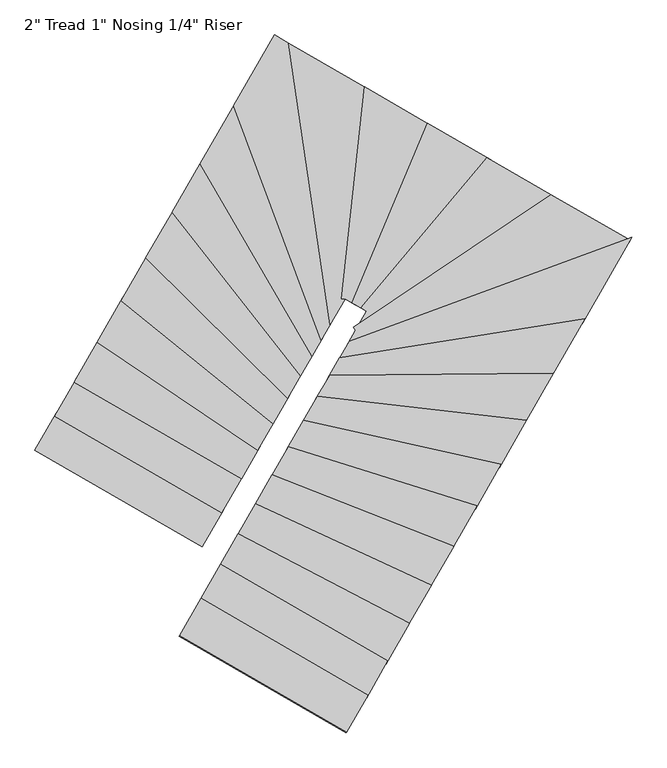
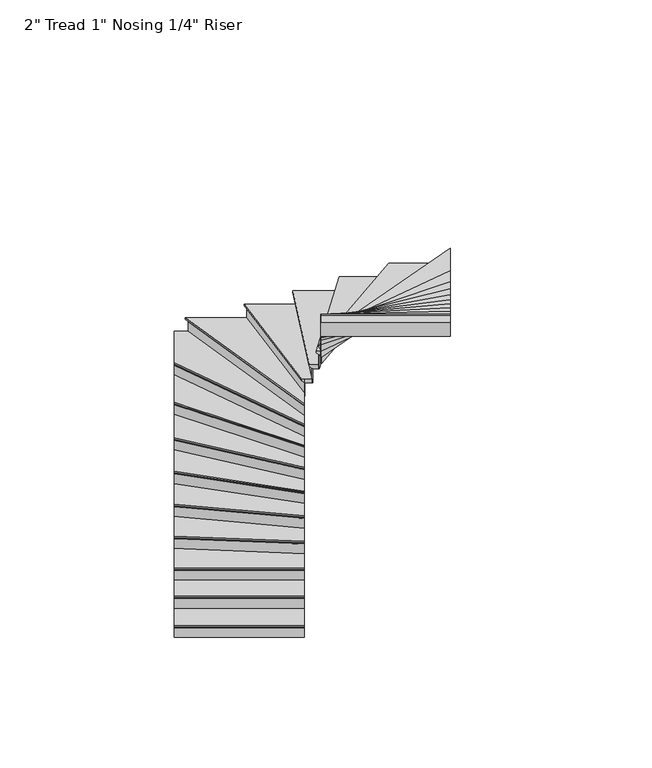
"""IFC4 building model written with IfcOpenShell, lengths in millimetres: stair flight geometry."""

from ifc_helpers import new_model, si_unit, origin, place, context, project, spatial, faceted_brep, source, transform, mapped, element, save


def stair_flight_9f9fb318(model_context):
    return source(origin(), model_context, "Body", "Brep", [
        faceted_brep([(55483.3110526, -118094.4424169, 3204.7961538), (55483.3110526, -118094.4424169, 3223.8461538), (54295.3554538, -117408.8419097, 3223.8461538), (54295.3554538, -117408.8419097, 3204.7961538), (55496.0073583, -118072.4432391, 3179.3961538), (54308.0517595, -117386.8427319, 3179.3961538), (55635.6667208, -117830.4522838, 3223.8461538), (54447.7111221, -117144.8517766, 3223.8461538), (54308.0517595, -117386.8427319, 3173.0461538), (54447.7111221, -117144.8517766, 3173.0461538), (55635.6667208, -117830.4522838, 3173.0461538), (55496.0073583, -118072.4432391, 3173.0461538)], [[[0, 1, 2, 3]], [[4, 0, 3, 5]], [[2, 1, 6, 7]], [[8, 9, 10, 11]], [[2, 7, 9, 8, 5, 3]], [[8, 11, 4, 5]], [[6, 1, 0, 4, 11, 10]], [[7, 6, 10, 9]]]),
        faceted_brep([(55496.0073583, -118072.4432391, 3173.0461538), (55496.0073583, -118072.4432391, 3048.0), (55499.1814347, -118066.9434447, 3048.0), (55499.1814347, -118066.9434447, 3173.0461538), (54308.0517595, -117386.8427319, 3173.0461538), (54311.2258359, -117381.3429375, 3173.0461538), (54311.2258359, -117381.3429375, 3048.0), (54308.0517595, -117386.8427319, 3048.0)], [[[0, 1, 2, 3]], [[4, 5, 6, 7]], [[1, 0, 4, 7]], [[2, 1, 7, 6]], [[3, 2, 6, 5]], [[0, 3, 5, 4]]]),
        faceted_brep([(55635.6667208, -117830.4522838, 3348.8923077), (55635.6667208, -117830.4522838, 3173.0461538), (55638.8407972, -117824.9524894, 3173.0461538), (55638.8407972, -117824.9524894, 3348.8923077), (54447.7111221, -117144.8517766, 3348.8923077), (54450.8851985, -117139.3519822, 3348.8923077), (54450.8851985, -117139.3519822, 3173.0461538), (54447.7111221, -117144.8517766, 3173.0461538)], [[[0, 1, 2, 3]], [[4, 5, 6, 7]], [[1, 0, 4, 7]], [[2, 1, 7, 6]], [[3, 2, 6, 5]], [[0, 3, 5, 4]]]),
        faceted_brep([(54435.0148164, -117166.8509544, 3399.6923077), (55622.9704151, -117852.4514616, 3399.6923077), (55775.3260834, -117588.4613285, 3399.6923077), (54587.3704847, -116902.8608213, 3399.6923077), (54447.7111221, -117144.8517766, 3348.8923077), (54587.3704847, -116902.8608213, 3348.8923077), (55775.3260834, -117588.4613285, 3348.8923077), (55635.6667208, -117830.4522838, 3348.8923077), (54447.7111221, -117144.8517766, 3355.2423077), (54435.0148164, -117166.8509544, 3380.6423077), (55635.6667208, -117830.4522838, 3355.2423077), (55622.9704151, -117852.4514616, 3380.6423077)], [[[0, 1, 2, 3]], [[4, 5, 6, 7]], [[0, 3, 5, 4, 8, 9]], [[4, 7, 10, 8]], [[2, 1, 11, 10, 7, 6]], [[3, 2, 6, 5]], [[11, 1, 0, 9]], [[10, 11, 9, 8]]]),
        faceted_brep([(55775.3260834, -117588.4613285, 3524.7384615), (55775.3260834, -117588.4613285, 3348.8923077), (55778.5001598, -117582.9615341, 3348.8923077), (55778.5001598, -117582.9615341, 3524.7384615), (54587.3704847, -116902.8608213, 3524.7384615), (54590.5445611, -116897.3610269, 3524.7384615), (54590.5445611, -116897.3610269, 3348.8923077), (54587.3704847, -116902.8608213, 3348.8923077)], [[[0, 1, 2, 3]], [[4, 5, 6, 7]], [[1, 0, 4, 7]], [[2, 1, 7, 6]], [[3, 2, 6, 5]], [[0, 3, 5, 4]]]),
        faceted_brep([(54574.674179, -116924.8599991, 3575.5384615), (55762.6297777, -117610.4605063, 3575.5384615), (55890.6801358, -117388.5847372, 3575.5384615), (54751.3990709, -116618.6447577, 3575.5384615), (54587.3704847, -116902.8608213, 3524.7384615), (54751.3990709, -116618.6447577, 3524.7384615), (55890.6801358, -117388.5847372, 3524.7384615), (55775.3260834, -117588.4613285, 3524.7384615), (54587.3704847, -116902.8608213, 3531.0884615), (54574.674179, -116924.8599991, 3556.4884615), (55775.3260834, -117588.4613285, 3531.0884615), (55762.6297777, -117610.4605063, 3556.4884615)], [[[0, 1, 2, 3]], [[4, 5, 6, 7]], [[0, 3, 5, 4, 8, 9]], [[4, 7, 10, 8]], [[2, 1, 11, 10, 7, 6]], [[3, 2, 6, 5]], [[11, 1, 0, 9]], [[10, 11, 9, 8]]]),
        faceted_brep([(55890.6801358, -117388.5847372, 3700.5846154), (55890.6801358, -117388.5847372, 3524.7384615), (55893.8622014, -117383.0710997, 3524.7384615), (55893.8622014, -117383.0710997, 3700.5846154), (54751.3990709, -116618.6447577, 3700.5846154), (54754.5811365, -116613.1311202, 3700.5846154), (54754.5811365, -116613.1311202, 3524.7384615), (54751.3990709, -116618.6447577, 3524.7384615)], [[[0, 1, 2, 3]], [[4, 5, 6, 7]], [[1, 0, 4, 7]], [[2, 1, 7, 6]], [[3, 2, 6, 5]], [[0, 3, 5, 4]]]),
        faceted_brep([(54738.6708085, -116640.6993076, 3751.3846154), (55877.9518734, -117410.6392871, 3751.3846154), (56000.9924459, -117197.4440874, 3751.3846154), (54920.6524828, -116325.3755198, 3751.3846154), (54751.3990709, -116618.6447577, 3700.5846154), (54920.6524828, -116325.3755198, 3700.5846154), (56000.9924459, -117197.4440874, 3700.5846154), (55890.6801358, -117388.5847372, 3700.5846154), (54751.3990709, -116618.6447577, 3706.9346154), (54738.6708085, -116640.6993076, 3732.3346154), (55890.6801358, -117388.5847372, 3706.9346154), (55877.9518734, -117410.6392871, 3732.3346154)], [[[0, 1, 2, 3]], [[4, 5, 6, 7]], [[0, 3, 5, 4, 8, 9]], [[4, 7, 10, 8]], [[2, 1, 11, 10, 7, 6]], [[3, 2, 6, 5]], [[11, 1, 0, 9]], [[10, 11, 9, 8]]]),
        faceted_brep([(56000.9924459, -117197.4440874, 3876.4307692), (56000.9924459, -117197.4440874, 3700.5846154), (56004.2053861, -117191.8769528, 3700.5846154), (56004.2053861, -117191.8769528, 3876.4307692), (54920.6524828, -116325.3755198, 3876.4307692), (54923.865423, -116319.8083852, 3876.4307692), (54923.865423, -116319.8083852, 3700.5846154), (54920.6524828, -116325.3755198, 3700.5846154)], [[[0, 1, 2, 3]], [[4, 5, 6, 7]], [[1, 0, 4, 7]], [[2, 1, 7, 6]], [[3, 2, 6, 5]], [[0, 3, 5, 4]]]),
        faceted_brep([(54907.8007219, -116347.6440583, 3927.2307692), (55988.1406851, -117219.7126259, 3927.2307692), (56104.509378, -117018.0779439, 3927.2307692), (55097.0082074, -116019.7999431, 3927.2307692), (54920.6524828, -116325.3755198, 3876.4307692), (55097.0082074, -116019.7999431, 3876.4307692), (56104.509378, -117018.0779439, 3876.4307692), (56000.9924459, -117197.4440874, 3876.4307692), (54920.6524828, -116325.3755198, 3882.7807692), (54907.8007219, -116347.6440583, 3908.1807692), (56000.9924459, -117197.4440874, 3882.7807692), (55988.1406851, -117219.7126259, 3908.1807692)], [[[0, 1, 2, 3]], [[4, 5, 6, 7]], [[0, 3, 5, 4, 8, 9]], [[4, 7, 10, 8]], [[2, 1, 11, 10, 7, 6]], [[3, 2, 6, 5]], [[11, 1, 0, 9]], [[10, 11, 9, 8]]]),
        faceted_brep([(56104.509378, -117018.0779439, 4052.2769231), (56104.509378, -117018.0779439, 3876.4307692), (56107.7915596, -117012.390833, 3876.4307692), (56107.7915596, -117012.390833, 4052.2769231), (55097.0082074, -116019.7999431, 4052.2769231), (55100.290389, -116014.1128323, 4052.2769231), (55100.290389, -116014.1128323, 3876.4307692), (55097.0082074, -116019.7999431, 3876.4307692)], [[[0, 1, 2, 3]], [[4, 5, 6, 7]], [[1, 0, 4, 7]], [[2, 1, 7, 6]], [[3, 2, 6, 5]], [[0, 3, 5, 4]]]),
        faceted_brep([(55083.8794808, -116042.5483864, 4103.0769231), (56091.3806514, -117040.8263872, 4103.0769231), (56198.549806, -116855.1319544, 4103.0769231), (55283.3574622, -115696.9083492, 4103.0769231), (55097.0082074, -116019.7999431, 4052.2769231), (55283.3574622, -115696.9083492, 4052.2769231), (56198.549806, -116855.1319544, 4052.2769231), (56104.509378, -117018.0779439, 4052.2769231), (55097.0082074, -116019.7999431, 4058.6269231), (55083.8794808, -116042.5483864, 4084.0269231), (56104.509378, -117018.0779439, 4058.6269231), (56091.3806514, -117040.8263872, 4084.0269231)], [[[0, 1, 2, 3]], [[4, 5, 6, 7]], [[0, 3, 5, 4, 8, 9]], [[4, 7, 10, 8]], [[2, 1, 11, 10, 7, 6]], [[3, 2, 6, 5]], [[11, 1, 0, 9]], [[10, 11, 9, 8]]]),
        faceted_brep([(56198.549806, -116855.1319544, 4228.1230769), (56198.549806, -116855.1319544, 4052.2769231), (56201.9658574, -116849.2128845, 4052.2769231), (56201.9658574, -116849.2128845, 4228.1230769), (55283.3574622, -115696.9083492, 4228.1230769), (55286.7735135, -115690.9892793, 4228.1230769), (55286.7735135, -115690.9892793, 4052.2769231), (55283.3574622, -115696.9083492, 4052.2769231)], [[[0, 1, 2, 3]], [[4, 5, 6, 7]], [[1, 0, 4, 7]], [[2, 1, 7, 6]], [[3, 2, 6, 5]], [[0, 3, 5, 4]]]),
        faceted_brep([(55269.6932567, -115720.5846289, 4278.9230769), (56184.8856006, -116878.8082341, 4278.9230769), (56278.789449, -116716.0988994, 4278.9230769), (55484.3868905, -115348.5800845, 4278.9230769), (55283.3574622, -115696.9083492, 4228.1230769), (55484.3868905, -115348.5800845, 4228.1230769), (56278.789449, -116716.0988994, 4228.1230769), (56198.549806, -116855.1319544, 4228.1230769), (55283.3574622, -115696.9083492, 4234.4730769), (55269.6932567, -115720.5846289, 4259.8730769), (56198.549806, -116855.1319544, 4234.4730769), (56184.8856006, -116878.8082341, 4259.8730769)], [[[0, 1, 2, 3]], [[4, 5, 6, 7]], [[0, 3, 5, 4, 8, 9]], [[4, 7, 10, 8]], [[2, 1, 11, 10, 7, 6]], [[3, 2, 6, 5]], [[11, 1, 0, 9]], [[10, 11, 9, 8]]]),
        faceted_brep([(56278.789449, -116716.0988994, 4403.9692308), (56278.789449, -116716.0988994, 4228.1230769), (56282.4492936, -116709.7574033, 4228.1230769), (56282.4492936, -116709.7574033, 4403.9692308), (55484.3868905, -115348.5800845, 4403.9692308), (55488.0467351, -115342.2385885, 4403.9692308), (55488.0467351, -115342.2385885, 4228.1230769), (55484.3868905, -115348.5800845, 4228.1230769)], [[[0, 1, 2, 3]], [[4, 5, 6, 7]], [[1, 0, 4, 7]], [[2, 1, 7, 6]], [[3, 2, 6, 5]], [[0, 3, 5, 4]]]),
        faceted_brep([(55469.747512, -115373.9460688, 4454.7692308), (56264.1500704, -116741.4648836, 4454.7692308), (56345.5625152, -116600.3996882, 4454.7692308), (55723.7276855, -114933.8688432, 4454.7692308), (55484.3868905, -115348.5800845, 4403.9692308), (55723.7276855, -114933.8688432, 4403.9692308), (56345.5625152, -116600.3996882, 4403.9692308), (56278.789449, -116716.0988994, 4403.9692308), (55484.3868905, -115348.5800845, 4410.3192308), (55469.747512, -115373.9460688, 4435.7192308), (56278.789449, -116716.0988994, 4410.3192308), (56264.1500704, -116741.4648836, 4435.7192308)], [[[0, 1, 2, 3]], [[4, 5, 6, 7]], [[0, 3, 5, 4, 8, 9]], [[4, 7, 10, 8]], [[2, 1, 11, 10, 7, 6]], [[3, 2, 6, 5]], [[11, 1, 0, 9]], [[10, 11, 9, 8]]]),
        faceted_brep([(56345.5625152, -116600.3996882, 4579.8153846), (56345.5625152, -116600.3996882, 4403.9692308), (56349.6788281, -116593.2672591, 4403.9692308), (56349.6788281, -116593.2672591, 4579.8153846), (55723.7276855, -114933.8688432, 4579.8153846), (55727.8439985, -114926.736414, 4579.8153846), (55727.8439985, -114926.736414, 4403.9692308), (55723.7276855, -114933.8688432, 4403.9692308)], [[[0, 1, 2, 3]], [[4, 5, 6, 7]], [[1, 0, 4, 7]], [[2, 1, 7, 6]], [[3, 2, 6, 5]], [[0, 3, 5, 4]]]),
        faceted_brep([(56127.1982329, -114535.1385758, 4630.6153846), (55997.1584277, -114460.0891745, 4630.6153846), (55707.2624336, -114962.3985598, 4630.6153846), (56329.0972633, -116628.9294049, 4630.6153846), (56413.1773754, -116483.2418815, 4630.6153846), (55997.1584277, -114460.0891745, 4579.8153846), (56127.1982329, -114535.1385758, 4579.8153846), (56413.1773754, -116483.2418815, 4579.8153846), (56345.5625152, -116600.3996882, 4579.8153846), (55723.7276855, -114933.8688432, 4579.8153846), (56345.5625152, -116600.3996882, 4586.1653846), (55723.7276855, -114933.8688432, 4586.1653846), (56329.0972633, -116628.9294049, 4611.5653846), (55707.2624336, -114962.3985598, 4611.5653846)], [[[0, 1, 2, 3, 4]], [[5, 6, 7, 8, 9]], [[1, 0, 6, 5]], [[9, 8, 10, 11]], [[4, 3, 12, 10, 8, 7]], [[0, 4, 7, 6]], [[12, 3, 2, 13]], [[10, 12, 13, 11]], [[2, 1, 5, 9, 11, 13]]]),
        faceted_brep([(56413.1773754, -116483.2418815, 4755.6615385), (56413.1773754, -116483.2418815, 4579.8153846), (56418.2939673, -116474.3762462, 4579.8153846), (56418.2939673, -116474.3762462, 4755.6615385), (56127.1982329, -114535.1385758, 4755.6615385), (56134.2103671, -114539.1854634, 4755.6615385), (56134.2103671, -114539.1854634, 4579.8153846), (56127.1982329, -114535.1385758, 4579.8153846)], [[[0, 1, 2, 3]], [[4, 5, 6, 7]], [[1, 0, 4, 7]], [[2, 1, 7, 6]], [[3, 2, 6, 5]], [[0, 3, 5, 4]]]),
        faceted_brep([(56099.149696, -114518.9510254, 4806.4615385), (56392.7110076, -116518.7044225, 4806.4615385), (56498.6326324, -116335.1716132, 4806.4615385), (56660.5784854, -114842.9663868, 4806.4615385), (56127.1982329, -114535.1385758, 4755.6615385), (56660.5784854, -114842.9663868, 4755.6615385), (56498.6326324, -116335.1716132, 4755.6615385), (56413.1773754, -116483.2418815, 4755.6615385), (56127.1982329, -114535.1385758, 4762.0115385), (56099.149696, -114518.9510254, 4787.4115385), (56413.1773754, -116483.2418815, 4762.0115385), (56392.7110076, -116518.7044225, 4787.4115385)], [[[0, 1, 2, 3]], [[4, 5, 6, 7]], [[0, 3, 5, 4, 8, 9]], [[4, 7, 10, 8]], [[2, 1, 11, 10, 7, 6]], [[3, 2, 6, 5]], [[11, 1, 0, 9]], [[10, 11, 9, 8]]]),
        faceted_brep([(56498.6326324, -116335.1716132, 4931.5076923), (56498.6326324, -116335.1716132, 4755.6615385), (56504.9455634, -116335.8567421, 4755.6615385), (56504.9455634, -116335.8567421, 4931.5076923), (56660.5784854, -114842.9663868, 4931.5076923), (56666.5892895, -114846.4353804, 4931.5076923), (56666.5892895, -114846.4353804, 4755.6615385), (56660.5784854, -114842.9663868, 4755.6615385)], [[[0, 1, 2, 3]], [[4, 5, 6, 7]], [[1, 0, 4, 7]], [[2, 1, 7, 6]], [[3, 2, 6, 5]], [[0, 3, 5, 4]]]),
        faceted_brep([(56636.5352688, -114829.0904124, 4982.3076923), (56473.3809082, -116332.4310974, 4982.3076923), (56498.6326324, -116335.1716132, 4982.3076923), (56499.5135193, -116333.6452804, 4982.3076923), (56571.8409572, -116375.3873524, 4982.3076923), (57105.7801082, -115099.9039851, 4982.3076923), (56660.5784854, -114842.9663868, 4931.5076923), (57105.7801082, -115099.9039851, 4931.5076923), (56571.8409572, -116375.3873524, 4931.5076923), (56499.5135193, -116333.6452804, 4931.5076923), (56498.6326324, -116335.1716132, 4931.5076923), (56660.5784854, -114842.9663868, 4937.8576923), (56636.5352688, -114829.0904124, 4963.2576923), (56498.6326324, -116335.1716132, 4937.8576923), (56473.3809082, -116332.4310974, 4963.2576923)], [[[0, 1, 2, 3, 4, 5]], [[6, 7, 8, 9, 10]], [[0, 5, 7, 6, 11, 12]], [[6, 10, 13, 11]], [[3, 2, 13, 10, 9]], [[4, 3, 9, 8]], [[5, 4, 8, 7]], [[14, 1, 0, 12]], [[13, 14, 12, 11]], [[1, 14, 13, 2]]]),
        faceted_brep([(56571.8409572, -116375.3873524, 5107.3538462), (56571.8409572, -116375.3873524, 4931.5076923), (56577.3853899, -116378.5871907, 4931.5076923), (56577.3853899, -116378.5871907, 5107.3538462), (57105.7801082, -115099.9039851, 5107.3538462), (57111.3245409, -115103.1038234, 5107.3538462), (57111.3245409, -115103.1038234, 4931.5076923), (57105.7801082, -115099.9039851, 4931.5076923)], [[[0, 1, 2, 3]], [[4, 5, 6, 7]], [[1, 0, 4, 7]], [[2, 1, 7, 6]], [[3, 2, 6, 5]], [[0, 3, 5, 4]]]),
        faceted_brep([(57083.6023775, -115087.1046318, 5158.1538462), (56549.6632265, -116362.5879991, 5158.1538462), (56634.3598376, -116411.4686472, 5158.1538462), (57528.8643257, -115344.0770455, 5158.1538462), (57105.7801082, -115099.9039851, 5107.3538462), (57528.8643257, -115344.0770455, 5107.3538462), (56634.3598376, -116411.4686472, 5107.3538462), (56571.8409572, -116375.3873524, 5107.3538462), (57105.7801082, -115099.9039851, 5113.7038462), (57083.6023775, -115087.1046318, 5139.1038462), (56571.8409572, -116375.3873524, 5113.7038462), (56549.6632265, -116362.5879991, 5139.1038462)], [[[0, 1, 2, 3]], [[4, 5, 6, 7]], [[0, 3, 5, 4, 8, 9]], [[4, 7, 10, 8]], [[3, 2, 6, 5]], [[11, 1, 0, 9]], [[10, 11, 9, 8]], [[2, 1, 11, 10, 7, 6]]]),
        faceted_brep([(56634.3598376, -116411.4686472, 5283.2), (56634.3598376, -116411.4686472, 5107.3538462), (56639.9440219, -116414.6914272, 5107.3538462), (56639.9440219, -116414.6914272, 5283.2), (57528.8643257, -115344.0770455, 5283.2), (57534.44851, -115347.2998255, 5283.2), (57534.44851, -115347.2998255, 5107.3538462), (57528.8643257, -115344.0770455, 5107.3538462)], [[[0, 1, 2, 3]], [[4, 5, 6, 7]], [[1, 0, 4, 7]], [[2, 1, 7, 6]], [[3, 2, 6, 5]], [[0, 3, 5, 4]]]),
        faceted_brep([(57506.5275886, -115331.1859254, 5334.0), (56612.0231004, -116398.577527, 5334.0), (56652.4189133, -116421.891016, 5334.0), (56575.4284532, -116555.294138, 5334.0), (57985.3178432, -115607.508409, 5334.0), (57528.8643257, -115344.0770455, 5283.2), (57985.3178432, -115607.508409, 5283.2), (56575.4284532, -116555.294138, 5283.2), (56652.4189133, -116421.891016, 5283.2), (56634.3598376, -116411.4686472, 5283.2), (57528.8643257, -115344.0770455, 5289.55), (57506.5275886, -115331.1859254, 5314.95), (56634.3598376, -116411.4686472, 5289.55), (56612.0231004, -116398.577527, 5314.95)], [[[0, 1, 2, 3, 4]], [[5, 6, 7, 8, 9]], [[0, 4, 6, 5, 10, 11]], [[5, 9, 12, 10]], [[2, 1, 13, 12, 9, 8]], [[4, 3, 7, 6]], [[13, 1, 0, 11]], [[12, 13, 11, 10]], [[3, 2, 8, 7]]]),
        faceted_brep([(56575.4284532, -116555.294138, 5459.0461538), (56575.4284532, -116555.294138, 5283.2), (56578.9711115, -116560.5640595, 5283.2), (56578.9711115, -116560.5640595, 5459.0461538), (57985.3178432, -115607.508409, 5459.0461538), (57991.4420956, -115611.0428765, 5459.0461538), (57991.4420956, -115611.0428765, 5283.2), (57985.3178432, -115607.508409, 5283.2)], [[[0, 1, 2, 3]], [[4, 5, 6, 7]], [[1, 0, 4, 7]], [[2, 1, 7, 6]], [[3, 2, 6, 5]], [[0, 3, 5, 4]]]),
        faceted_brep([(58518.7914816, -115931.9830035, 5509.8461538), (58525.9750192, -115919.5359245, 5509.8461538), (57960.8208337, -115593.3705387, 5509.8461538), (56561.25782, -116534.2144522, 5509.8461538), (56575.4284532, -116555.294138, 5509.8461538), (56509.6610007, -116669.2508994, 5509.8461538), (58525.9750192, -115919.5359245, 5459.0461538), (58518.7914816, -115931.9830035, 5459.0461538), (56509.6610007, -116669.2508994, 5459.0461538), (56575.4284532, -116555.294138, 5459.0461538), (57985.3178432, -115607.508409, 5459.0461538), (56575.4284532, -116555.294138, 5465.3961538), (57985.3178432, -115607.508409, 5465.3961538), (56561.25782, -116534.2144522, 5490.7961538), (57960.8208337, -115593.3705387, 5490.7961538)], [[[0, 1, 2, 3, 4, 5]], [[6, 7, 8, 9, 10]], [[1, 0, 7, 6]], [[10, 9, 11, 12]], [[5, 4, 11, 9, 8]], [[0, 5, 8, 7]], [[13, 3, 2, 14]], [[11, 13, 14, 12]], [[3, 13, 11, 4]], [[2, 1, 6, 10, 12, 14]]]),
        faceted_brep([(56509.6610007, -116669.2508994, 5634.8923077), (56509.6610007, -116669.2508994, 5459.0461538), (56504.7084302, -116677.832331, 5459.0461538), (56504.7084302, -116677.832331, 5634.8923077), (58518.7914816, -115931.9830035, 5634.8923077), (58513.8389111, -115940.5644351, 5634.8923077), (58513.8389111, -115940.5644351, 5459.0461538), (58518.7914816, -115931.9830035, 5459.0461538)], [[[0, 1, 2, 3]], [[4, 5, 6, 7]], [[1, 0, 4, 7]], [[2, 1, 7, 6]], [[3, 2, 6, 5]], [[0, 3, 5, 4]]]),
        faceted_brep([(58538.6017635, -115897.6572772, 5685.6923077), (56529.4712826, -116634.9251731, 5685.6923077), (56444.5185758, -116782.1246613, 5685.6923077), (58188.8462907, -116503.6865433, 5685.6923077), (58518.7914816, -115931.9830035, 5634.8923077), (58188.8462907, -116503.6865433, 5634.8923077), (56444.5185758, -116782.1246613, 5634.8923077), (56509.6610007, -116669.2508994, 5634.8923077), (58518.7914816, -115931.9830035, 5641.2423077), (58538.6017635, -115897.6572772, 5666.6423077), (56509.6610007, -116669.2508994, 5641.2423077), (56529.4712826, -116634.9251731, 5666.6423077)], [[[0, 1, 2, 3]], [[4, 5, 6, 7]], [[0, 3, 5, 4, 8, 9]], [[4, 7, 10, 8]], [[2, 1, 11, 10, 7, 6]], [[3, 2, 6, 5]], [[11, 1, 0, 9]], [[10, 11, 9, 8]]]),
        faceted_brep([(56444.5185758, -116782.1246613, 5810.7384615), (56444.5185758, -116782.1246613, 5634.8923077), (56440.4308514, -116789.2075543, 5634.8923077), (56440.4308514, -116789.2075543, 5810.7384615), (58188.8462907, -116503.6865433, 5810.7384615), (58184.7585663, -116510.7694363, 5810.7384615), (58184.7585663, -116510.7694363, 5634.8923077), (58188.8462907, -116503.6865433, 5634.8923077)], [[[0, 1, 2, 3]], [[4, 5, 6, 7]], [[1, 0, 4, 7]], [[2, 1, 7, 6]], [[3, 2, 6, 5]], [[0, 3, 5, 4]]]),
        faceted_brep([(58205.1971881, -116475.3549712, 5861.5384615), (56460.8694732, -116753.7930892, 5861.5384615), (56376.1510211, -116900.5866789, 5861.5384615), (57966.7396718, -116888.5357354, 5861.5384615), (58188.8462907, -116503.6865433, 5810.7384615), (57966.7396718, -116888.5357354, 5810.7384615), (56376.1510211, -116900.5866789, 5810.7384615), (56444.5185758, -116782.1246613, 5810.7384615), (58188.8462907, -116503.6865433, 5817.0884615), (58205.1971881, -116475.3549712, 5842.4884615), (56444.5185758, -116782.1246613, 5817.0884615), (56460.8694732, -116753.7930892, 5842.4884615)], [[[0, 1, 2, 3]], [[4, 5, 6, 7]], [[0, 3, 5, 4, 8, 9]], [[4, 7, 10, 8]], [[2, 1, 11, 10, 7, 6]], [[3, 2, 6, 5]], [[11, 1, 0, 9]], [[10, 11, 9, 8]]]),
        faceted_brep([(56376.1510211, -116900.5866789, 5986.5846154), (56376.1510211, -116900.5866789, 5810.7384615), (56372.4700683, -116906.9647496, 5810.7384615), (56372.4700683, -116906.9647496, 5986.5846154), (57966.7396718, -116888.5357354, 5986.5846154), (57963.0587191, -116894.9138061, 5986.5846154), (57963.0587191, -116894.9138061, 5810.7384615), (57966.7396718, -116888.5357354, 5810.7384615)], [[[0, 1, 2, 3]], [[4, 5, 6, 7]], [[1, 0, 4, 7]], [[2, 1, 7, 6]], [[3, 2, 6, 5]], [[0, 3, 5, 4]]]),
        faceted_brep([(57981.463483, -116863.0234529, 6037.3846154), (56390.8748322, -116875.0743964, 6037.3846154), (56290.9193651, -117048.2695086, 6037.3846154), (57774.4483697, -117221.7232499, 6037.3846154), (57966.7396718, -116888.5357354, 5986.5846154), (57774.4483697, -117221.7232499, 5986.5846154), (56290.9193651, -117048.2695086, 5986.5846154), (56376.1510211, -116900.5866789, 5986.5846154), (57966.7396718, -116888.5357354, 5992.9346154), (57981.463483, -116863.0234529, 6018.3346154), (56376.1510211, -116900.5866789, 5992.9346154), (56390.8748322, -116875.0743964, 6018.3346154)], [[[0, 1, 2, 3]], [[4, 5, 6, 7]], [[0, 3, 5, 4, 8, 9]], [[4, 7, 10, 8]], [[2, 1, 11, 10, 7, 6]], [[3, 2, 6, 5]], [[11, 1, 0, 9]], [[10, 11, 9, 8]]]),
        faceted_brep([(56290.9193651, -117048.2695086, 6162.4307692), (56290.9193651, -117048.2695086, 5986.5846154), (56287.4628832, -117054.2586334, 5986.5846154), (56287.4628832, -117054.2586334, 6162.4307692), (57774.4483697, -117221.7232499, 6162.4307692), (57770.9918878, -117227.7123748, 6162.4307692), (57770.9918878, -117227.7123748, 5986.5846154), (57774.4483697, -117221.7232499, 5986.5846154)], [[[0, 1, 2, 3]], [[4, 5, 6, 7]], [[1, 0, 4, 7]], [[2, 1, 7, 6]], [[3, 2, 6, 5]], [[0, 3, 5, 4]]]),
        faceted_brep([(57788.2742973, -117197.7667506, 6213.2307692), (56304.7452927, -117024.3130093, 6213.2307692), (56191.8685282, -117219.8971475, 6213.2307692), (57595.2160841, -117532.2831094, 6213.2307692), (57774.4483697, -117221.7232499, 6162.4307692), (57595.2160841, -117532.2831094, 6162.4307692), (56191.8685282, -117219.8971475, 6162.4307692), (56290.9193651, -117048.2695086, 6162.4307692), (57774.4483697, -117221.7232499, 6168.7807692), (57788.2742973, -117197.7667506, 6194.1807692), (56290.9193651, -117048.2695086, 6168.7807692), (56304.7452927, -117024.3130093, 6194.1807692)], [[[0, 1, 2, 3]], [[4, 5, 6, 7]], [[0, 3, 5, 4, 8, 9]], [[4, 7, 10, 8]], [[2, 1, 11, 10, 7, 6]], [[3, 2, 6, 5]], [[11, 1, 0, 9]], [[10, 11, 9, 8]]]),
        faceted_brep([(56191.8685282, -117219.8971475, 6338.2769231), (56191.8685282, -117219.8971475, 6162.4307692), (56188.5414966, -117225.6619707, 6162.4307692), (56188.5414966, -117225.6619707, 6338.2769231), (57595.2160841, -117532.2831094, 6338.2769231), (57591.8890526, -117538.0479327, 6338.2769231), (57591.8890526, -117538.0479327, 6162.4307692), (57595.2160841, -117532.2831094, 6162.4307692)], [[[0, 1, 2, 3]], [[4, 5, 6, 7]], [[1, 0, 4, 7]], [[2, 1, 7, 6]], [[3, 2, 6, 5]], [[0, 3, 5, 4]]]),
        faceted_brep([(57608.5242104, -117509.2238162, 6389.0769231), (56205.1766544, -117196.8378543, 6389.0769231), (56083.6564667, -117407.3986486, 6389.0769231), (57424.7076798, -117827.7269013, 6389.0769231), (57595.2160841, -117532.2831094, 6338.2769231), (57424.7076798, -117827.7269013, 6338.2769231), (56083.6564667, -117407.3986486, 6338.2769231), (56191.8685282, -117219.8971475, 6338.2769231), (57595.2160841, -117532.2831094, 6344.6269231), (57608.5242104, -117509.2238162, 6370.0269231), (56191.8685282, -117219.8971475, 6344.6269231), (56205.1766544, -117196.8378543, 6370.0269231)], [[[0, 1, 2, 3]], [[4, 5, 6, 7]], [[0, 3, 5, 4, 8, 9]], [[4, 7, 10, 8]], [[2, 1, 11, 10, 7, 6]], [[3, 2, 6, 5]], [[11, 1, 0, 9]], [[10, 11, 9, 8]]]),
        faceted_brep([(56083.6564667, -117407.3986486, 6514.1230769), (56083.6564667, -117407.3986486, 6338.2769231), (56080.4042175, -117413.0338947, 6338.2769231), (56080.4042175, -117413.0338947, 6514.1230769), (57424.7076798, -117827.7269013, 6514.1230769), (57421.4554306, -117833.3621474, 6514.1230769), (57421.4554306, -117833.3621474, 6338.2769231), (57424.7076798, -117827.7269013, 6338.2769231)], [[[0, 1, 2, 3]], [[4, 5, 6, 7]], [[1, 0, 4, 7]], [[2, 1, 7, 6]], [[3, 2, 6, 5]], [[0, 3, 5, 4]]]),
        faceted_brep([(57437.7166764, -117805.1859169, 6564.9230769), (56096.6654633, -117384.8576642, 6564.9230769), (55969.0639488, -117605.9557118, 6564.9230769), (57260.3202403, -118112.5647581, 6564.9230769), (57424.7076798, -117827.7269013, 6514.1230769), (57260.3202403, -118112.5647581, 6514.1230769), (55969.0639488, -117605.9557118, 6514.1230769), (56083.6564667, -117407.3986486, 6514.1230769), (57424.7076798, -117827.7269013, 6520.4730769), (57437.7166764, -117805.1859169, 6545.8730769), (56083.6564667, -117407.3986486, 6520.4730769), (56096.6654633, -117384.8576642, 6545.8730769)], [[[0, 1, 2, 3]], [[4, 5, 6, 7]], [[0, 3, 5, 4, 8, 9]], [[4, 7, 10, 8]], [[2, 1, 11, 10, 7, 6]], [[3, 2, 6, 5]], [[11, 1, 0, 9]], [[10, 11, 9, 8]]]),
        faceted_brep([(55969.0639488, -117605.9557118, 6689.9692308), (55969.0639488, -117605.9557118, 6514.1230769), (55965.8540456, -117611.517584, 6514.1230769), (55965.8540456, -117611.517584, 6689.9692308), (57260.3202403, -118112.5647581, 6689.9692308), (57257.1103371, -118118.1266303, 6689.9692308), (57257.1103371, -118118.1266303, 6514.1230769), (57260.3202403, -118112.5647581, 6514.1230769)], [[[0, 1, 2, 3]], [[4, 5, 6, 7]], [[1, 0, 4, 7]], [[2, 1, 7, 6]], [[3, 2, 6, 5]], [[0, 3, 5, 4]]]),
        faceted_brep([(57273.159853, -118090.317269, 6740.7692308), (55981.9035615, -117583.7082227, 6740.7692308), (55849.8518315, -117812.5172599, 6740.7692308), (57100.3946609, -118389.6714484, 6740.7692308), (57260.3202403, -118112.5647581, 6689.9692308), (57100.3946609, -118389.6714484, 6689.9692308), (55849.8518315, -117812.5172599, 6689.9692308), (55969.0639488, -117605.9557118, 6689.9692308), (57260.3202403, -118112.5647581, 6696.3192308), (57273.159853, -118090.317269, 6721.7192308), (55969.0639488, -117605.9557118, 6696.3192308), (55981.9035615, -117583.7082227, 6721.7192308)], [[[0, 1, 2, 3]], [[4, 5, 6, 7]], [[0, 3, 5, 4, 8, 9]], [[4, 7, 10, 8]], [[2, 1, 11, 10, 7, 6]], [[3, 2, 6, 5]], [[11, 1, 0, 9]], [[10, 11, 9, 8]]]),
        faceted_brep([(55849.8518315, -117812.5172599, 6865.8153846), (55849.8518315, -117812.5172599, 6689.9692308), (55846.6645569, -117818.0399232, 6689.9692308), (55846.6645569, -117818.0399232, 6865.8153846), (57100.3946609, -118389.6714484, 6865.8153846), (57097.2073863, -118395.1941116, 6865.8153846), (57097.2073863, -118395.1941116, 6689.9692308), (57100.3946609, -118389.6714484, 6689.9692308)], [[[0, 1, 2, 3]], [[4, 5, 6, 7]], [[1, 0, 4, 7]], [[2, 1, 7, 6]], [[3, 2, 6, 5]], [[0, 3, 5, 4]]]),
        faceted_brep([(57113.1437594, -118367.5807953, 6916.6153846), (55862.60093, -117790.4266069, 6916.6153846), (55727.1885415, -118025.0587336, 6916.6153846), (56943.8226061, -118660.9674104, 6916.6153846), (57100.3946609, -118389.6714484, 6865.8153846), (56943.8226061, -118660.9674104, 6865.8153846), (55727.1885415, -118025.0587336, 6865.8153846), (55849.8518315, -117812.5172599, 6865.8153846), (57100.3946609, -118389.6714484, 6872.1653846), (57113.1437594, -118367.5807953, 6897.5653846), (55849.8518315, -117812.5172599, 6872.1653846), (55862.60093, -117790.4266069, 6897.5653846)], [[[0, 1, 2, 3]], [[4, 5, 6, 7]], [[0, 3, 5, 4, 8, 9]], [[4, 7, 10, 8]], [[2, 1, 11, 10, 7, 6]], [[3, 2, 6, 5]], [[11, 1, 0, 9]], [[10, 11, 9, 8]]]),
        faceted_brep([(55727.1885415, -118025.0587336, 7041.6615385), (55727.1885415, -118025.0587336, 6865.8153846), (55724.0116894, -118030.5633375, 6865.8153846), (55724.0116894, -118030.5633375, 7041.6615385), (56943.8226061, -118660.9674104, 7041.6615385), (56940.645754, -118666.4720143, 7041.6615385), (56940.645754, -118666.4720143, 6865.8153846), (56943.8226061, -118660.9674104, 6865.8153846)], [[[0, 1, 2, 3]], [[4, 5, 6, 7]], [[1, 0, 4, 7]], [[2, 1, 7, 6]], [[3, 2, 6, 5]], [[0, 3, 5, 4]]]),
        faceted_brep([(56956.5300144, -118638.9489948, 7092.4615385), (55739.8959498, -118003.040318, 7092.4615385), (55601.8795145, -118242.1845359, 7092.4615385), (56789.8351132, -118927.7850431, 7092.4615385), (56943.8226061, -118660.9674104, 7041.6615385), (56789.8351132, -118927.7850431, 7041.6615385), (55601.8795145, -118242.1845359, 7041.6615385), (55727.1885415, -118025.0587336, 7041.6615385), (56943.8226061, -118660.9674104, 7048.0115385), (56956.5300144, -118638.9489948, 7073.4115385), (55727.1885415, -118025.0587336, 7048.0115385), (55739.8959498, -118003.040318, 7073.4115385)], [[[0, 1, 2, 3]], [[4, 5, 6, 7]], [[0, 3, 5, 4, 8, 9]], [[4, 7, 10, 8]], [[2, 1, 11, 10, 7, 6]], [[3, 2, 6, 5]], [[11, 1, 0, 9]], [[10, 11, 9, 8]]]),
        faceted_brep([(55601.8795145, -118242.1845359, 7217.5076923), (55601.8795145, -118242.1845359, 7041.6615385), (55598.7054381, -118247.6843303, 7041.6615385), (55598.7054381, -118247.6843303, 7217.5076923), (56789.8351132, -118927.7850431, 7217.5076923), (56786.6610368, -118933.2848375, 7217.5076923), (56786.6610368, -118933.2848375, 7041.6615385), (56789.8351132, -118927.7850431, 7041.6615385)], [[[0, 1, 2, 3]], [[4, 5, 6, 7]], [[1, 0, 4, 7]], [[2, 1, 7, 6]], [[3, 2, 6, 5]], [[0, 3, 5, 4]]]),
        faceted_brep([(56802.5314189, -118905.7858653, 7268.3076923), (55614.5758202, -118220.1853581, 7268.3076923), (55462.2201519, -118484.1754912, 7268.3076923), (56650.1757506, -119169.7759984, 7268.3076923), (56789.8351132, -118927.7850431, 7217.5076923), (56650.1757506, -119169.7759984, 7217.5076923), (55462.2201519, -118484.1754912, 7217.5076923), (55601.8795145, -118242.1845359, 7217.5076923), (56789.8351132, -118927.7850431, 7223.8576923), (56802.5314189, -118905.7858653, 7249.2576923), (55601.8795145, -118242.1845359, 7223.8576923), (55614.5758202, -118220.1853581, 7249.2576923)], [[[0, 1, 2, 3]], [[4, 5, 6, 7]], [[0, 3, 5, 4, 8, 9]], [[4, 7, 10, 8]], [[2, 1, 11, 10, 7, 6]], [[3, 2, 6, 5]], [[11, 1, 0, 9]], [[10, 11, 9, 8]]]),
        faceted_brep([(55462.2201519, -118484.1754912, 7393.3538462), (55462.2201519, -118484.1754912, 7217.5076923), (55459.0460755, -118489.6752856, 7217.5076923), (55459.0460755, -118489.6752856, 7393.3538462), (56650.1757506, -119169.7759984, 7393.3538462), (56647.0016742, -119175.2757928, 7393.3538462), (56647.0016742, -119175.2757928, 7217.5076923), (56650.1757506, -119169.7759984, 7217.5076923)], [[[0, 1, 2, 3]], [[4, 5, 6, 7]], [[1, 0, 4, 7]], [[2, 1, 7, 6]], [[3, 2, 6, 5]], [[0, 3, 5, 4]]]),
        faceted_brep([(55322.5607893, -118726.1664465, 7569.2), (55322.5607893, -118726.1664465, 7393.3538462), (55319.3867129, -118731.6662409, 7393.3538462), (55319.3867129, -118731.6662409, 7569.2), (56510.5163881, -119411.7669537, 7569.2), (56507.3423116, -119417.2667481, 7569.2), (56507.3423116, -119417.2667481, 7393.3538462), (56510.5163881, -119411.7669537, 7393.3538462)], [[[0, 1, 2, 3]], [[4, 5, 6, 7]], [[1, 0, 4, 7]], [[2, 1, 7, 6]], [[3, 2, 6, 5]], [[0, 3, 5, 4]]]),
        faceted_brep([(56662.8720563, -119147.7768206, 7444.1538462), (55474.9164576, -118462.1763134, 7444.1538462), (55322.5607893, -118726.1664465, 7444.1538462), (56510.5163881, -119411.7669537, 7444.1538462), (56650.1757506, -119169.7759984, 7393.3538462), (56510.5163881, -119411.7669537, 7393.3538462), (55322.5607893, -118726.1664465, 7393.3538462), (55462.2201519, -118484.1754912, 7393.3538462), (56650.1757506, -119169.7759984, 7399.7038462), (56662.8720563, -119147.7768206, 7425.1038462), (55462.2201519, -118484.1754912, 7399.7038462), (55474.9164576, -118462.1763134, 7425.1038462)], [[[0, 1, 2, 3]], [[4, 5, 6, 7]], [[0, 3, 5, 4, 8, 9]], [[4, 7, 10, 8]], [[2, 1, 11, 10, 7, 6]], [[3, 2, 6, 5]], [[11, 1, 0, 9]], [[10, 11, 9, 8]]]),
    ])


if __name__ == "__main__":
    model = new_model("IFC4")
    model_context = context("Model", 3, world=origin())
    ifc_project = project(units=[si_unit("LENGTHUNIT", "METRE", prefix="MILLI")], contexts=[model_context])
    site = spatial("IfcSite", under=ifc_project)
    building = spatial("IfcBuilding", under=site)
    placement = place(None, origin())
    stair_flight_shape = stair_flight_9f9fb318(model_context)
    element("IfcStairFlight", 1, ObjectType="2\" Tread 1\" Nosing 1/4\" Riser", at=placement, inside=building, context=model_context, shape_type="MappedRepresentation", body=[
        mapped(stair_flight_shape, transform((0.0, 0.0, 0.0), x_axis=(1.0, 0.0, 0.0), y_axis=(0.0, 1.0, 0.0), z_axis=(0.0, 0.0, 1.0))),
    ])
    save(model, "model.ifc")
